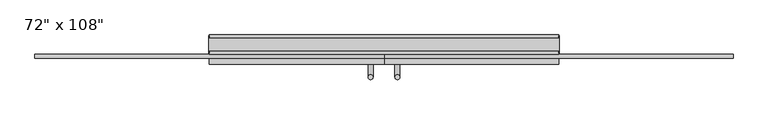
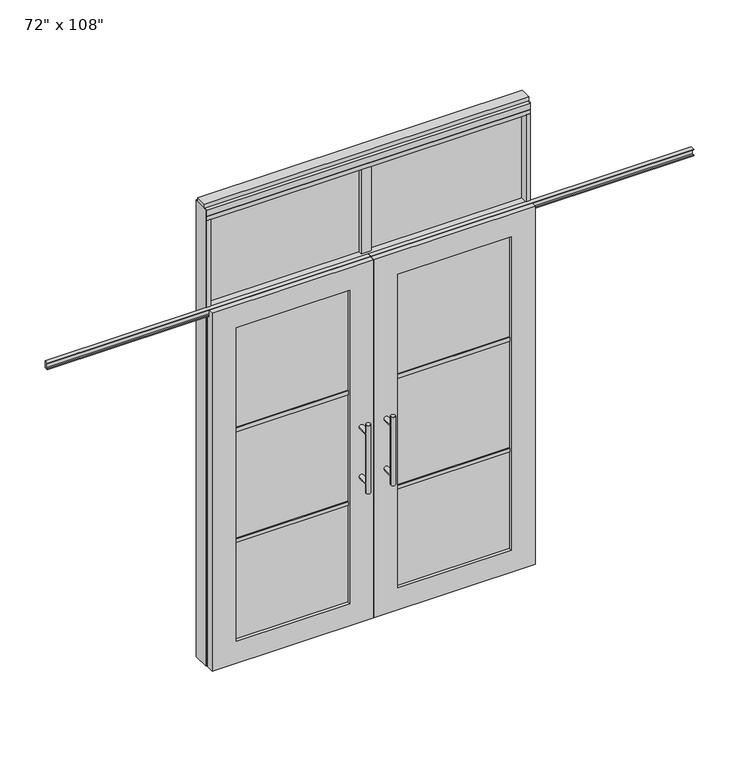
"""IFC4 building model written with IfcOpenShell, lengths in millimetres: furniture geometry."""

from ifc_helpers import new_model, si_unit, frame, origin, origin_with_axes, place, context, project, spatial, polyline, circle_curve, ellipse_curve, outline, extrude, faceted_brep, source, transform, mapped, element, save
from ifc_brep_helpers import plane_surface, cylinder_surface, advanced_brep


def furniture_c9e3e29f(model_context):
    return source(origin(), model_context, "Body", "SolidModel", [
        advanced_brep(
        [(-117.3135229, 5.8962784, 1219.2), (-142.7135229, 5.8962784, 1219.2), (-117.3135229, 5.8962784, 812.8), (-142.7135229, 5.8962784, 812.8), (-117.3135229, 5.8962784, 1164.336), (-117.3135229, 5.8962784, 867.664), (-142.7135229, 5.8962784, 867.664), (-142.7135229, 5.8962784, 1164.336), (-117.3135229, -61.6677216, 1164.336), (-142.7135229, -61.6677216, 1164.336), (-117.3135229, -61.6677216, 867.664), (-142.7135229, -61.6677216, 867.664)],
        [
            (0, 1, circle_curve(frame((-130.0135229, 5.8962784, 1219.2), z_axis=(0.0, 0.0, 1.0), x_axis=(-1.0, 0.0, 0.0)), 12.7)),
            (1, 0, circle_curve(frame((-130.0135229, 5.8962784, 1219.2), z_axis=(0.0, 0.0, 1.0), x_axis=(-1.0, 0.0, 0.0)), 12.7)),
            (2, 3, circle_curve(frame((-130.0135229, 5.8962784, 812.8), z_axis=(0.0, 0.0, -1.0), x_axis=(-1.0, 0.0, 0.0)), 12.7)),
            (3, 2, circle_curve(frame((-130.0135229, 5.8962784, 812.8), z_axis=(0.0, 0.0, -1.0), x_axis=(-1.0, 0.0, 0.0)), 12.7)),
            (0, 4),
            (4, 5),
            (5, 2),
            (3, 6),
            (6, 7),
            (7, 1),
            (7, 4, ellipse_curve(frame((-130.0135229, 5.8962784, 1164.336), z_axis=(0.0, 0.707106781186565, 0.70710678118653), x_axis=(0.0, -0.70710678118653, 0.707106781186565)), 17.9605122, 12.7)),
            (5, 6, ellipse_curve(frame((-130.0135229, 5.8962784, 867.664), z_axis=(0.0, 0.70710678118653, -0.7071067811865649), x_axis=(0.0, 0.7071067811865648, 0.7071067811865301)), 17.9605122, 12.7)),
            (4, 7, ellipse_curve(frame((-130.0135229, 5.8962784, 1164.336), z_axis=(0.0, 0.70710678118653, -0.7071067811865649), x_axis=(0.0, 0.7071067811865648, 0.7071067811865301)), 17.9605122, 12.7)),
            (6, 5, ellipse_curve(frame((-130.0135229, 5.8962784, 867.664), z_axis=(0.0, 0.707106781186565, 0.70710678118653), x_axis=(0.0, -0.70710678118653, 0.707106781186565)), 17.9605122, 12.7)),
            (8, 9, circle_curve(frame((-130.0135229, -61.6677216, 1164.336), z_axis=(0.0, -1.0, 0.0), x_axis=(-1.0, 0.0, 0.0)), 12.7)),
            (9, 8, circle_curve(frame((-130.0135229, -61.6677216, 1164.336), z_axis=(0.0, -1.0, 0.0), x_axis=(-1.0, 0.0, 0.0)), 12.7)),
            (9, 7),
            (4, 8),
            (10, 11, circle_curve(frame((-130.0135229, -61.6677216, 867.664), z_axis=(0.0, -1.0, 0.0), x_axis=(-1.0, 0.0, 0.0)), 12.7)),
            (11, 10, circle_curve(frame((-130.0135229, -61.6677216, 867.664), z_axis=(0.0, -1.0, 0.0), x_axis=(-1.0, 0.0, 0.0)), 12.7)),
            (11, 6),
            (5, 10),
        ],
        [
            plane_surface(frame((-142.7135229, 5.8962784, 1219.2), z_axis=(0.0, 0.0, 1.0), x_axis=(0.0, -1.0, 0.0))),
            plane_surface(frame((-142.7135229, 5.8962784, 812.8), z_axis=(0.0, 0.0, -1.0), x_axis=(0.0, 1.0, 0.0))),
            cylinder_surface(frame((-130.0135229, 5.8962784, 812.8), z_axis=(0.0, 0.0, 1.0), x_axis=(-1.0, 0.0, 0.0)), 12.7),
            plane_surface(frame((-142.7135229, -61.6677216, 1164.336), z_axis=(0.0, -1.0, 0.0), x_axis=(0.0, 0.0, -1.0))),
            cylinder_surface(frame((-130.0135229, -61.6677216, 1164.336), z_axis=(0.0, 1.0, 0.0), x_axis=(-1.0, 0.0, 0.0)), 12.7),
            plane_surface(frame((-142.7135229, -61.6677216, 867.664), z_axis=(0.0, -1.0, 0.0), x_axis=(0.0, 0.0, -1.0))),
            cylinder_surface(frame((-130.0135229, -61.6677216, 867.664), z_axis=(0.0, 1.0, 0.0), x_axis=(-1.0, 0.0, 0.0)), 12.7),
        ],
        [
            (0, [[1, 2]]),
            (1, [[3, 4]]),
            (2, [[-1, 5, 6, 7, -4, 8, 9, 10]]),
            (2, [[-2, -10, 11, -5]]),
            (2, [[-3, -7, 12, -8]]),
            (2, [[13, -9, 14, -6]]),
            (3, [[15, 16]]),
            (4, [[-16, 17, -13, 18]]),
            (4, [[-15, -18, -11, -17]]),
            (5, [[19, 20]]),
            (6, [[-20, 21, -12, 22]]),
            (6, [[-19, -22, -14, -21]]),
        ],
    ),
        advanced_brep(
        [(-117.3135229, -173.6817216, 1219.2), (-142.7135229, -173.6817216, 1219.2), (-117.3135229, -173.6817216, 812.8), (-142.7135229, -173.6817216, 812.8), (-142.7135229, -173.6817216, 1164.336), (-142.7135229, -173.6817216, 867.664), (-117.3135229, -173.6817216, 867.664), (-117.3135229, -173.6817216, 1164.336), (-117.3135229, -106.1177216, 1164.336), (-142.7135229, -106.1177216, 1164.336), (-117.3135229, -106.1177216, 867.664), (-142.7135229, -106.1177216, 867.664)],
        [
            (0, 1, circle_curve(frame((-130.0135229, -173.6817216, 1219.2), z_axis=(0.0, 0.0, 1.0), x_axis=(-1.0, 0.0, 0.0)), 12.7)),
            (1, 0, circle_curve(frame((-130.0135229, -173.6817216, 1219.2), z_axis=(0.0, 0.0, 1.0), x_axis=(-1.0, 0.0, 0.0)), 12.7)),
            (2, 3, circle_curve(frame((-130.0135229, -173.6817216, 812.8), z_axis=(0.0, 0.0, -1.0), x_axis=(-1.0, 0.0, 0.0)), 12.7)),
            (3, 2, circle_curve(frame((-130.0135229, -173.6817216, 812.8), z_axis=(0.0, 0.0, -1.0), x_axis=(-1.0, 0.0, 0.0)), 12.7)),
            (1, 4),
            (4, 5),
            (5, 3),
            (2, 6),
            (6, 7),
            (7, 0),
            (6, 5, ellipse_curve(frame((-130.0135229, -173.6817216, 867.664), z_axis=(0.0, -0.707106781186565, 0.70710678118653), x_axis=(0.0, 0.70710678118653, 0.707106781186565)), 17.9605122, 12.7)),
            (4, 7, ellipse_curve(frame((-130.0135229, -173.6817216, 1164.336), z_axis=(0.0, -0.70710678118653, -0.7071067811865649), x_axis=(0.0, -0.7071067811865648, 0.7071067811865301)), 17.9605122, 12.7)),
            (7, 4, ellipse_curve(frame((-130.0135229, -173.6817216, 1164.336), z_axis=(0.0, -0.707106781186565, 0.70710678118653), x_axis=(0.0, 0.70710678118653, 0.707106781186565)), 17.9605122, 12.7)),
            (5, 6, ellipse_curve(frame((-130.0135229, -173.6817216, 867.664), z_axis=(0.0, -0.70710678118653, -0.7071067811865649), x_axis=(0.0, -0.7071067811865648, 0.7071067811865301)), 17.9605122, 12.7)),
            (8, 9, circle_curve(frame((-130.0135229, -106.1177216, 1164.336), z_axis=(0.0, 1.0, 0.0), x_axis=(-1.0, 0.0, 0.0)), 12.7)),
            (9, 8, circle_curve(frame((-130.0135229, -106.1177216, 1164.336), z_axis=(0.0, 1.0, 0.0), x_axis=(-1.0, 0.0, 0.0)), 12.7)),
            (8, 7),
            (4, 9),
            (10, 11, circle_curve(frame((-130.0135229, -106.1177216, 867.664), z_axis=(0.0, 1.0, 0.0), x_axis=(-1.0, 0.0, 0.0)), 12.7)),
            (11, 10, circle_curve(frame((-130.0135229, -106.1177216, 867.664), z_axis=(0.0, 1.0, 0.0), x_axis=(-1.0, 0.0, 0.0)), 12.7)),
            (10, 6),
            (5, 11),
        ],
        [
            plane_surface(frame((-142.7135229, -173.6817216, 1219.2), z_axis=(0.0, 0.0, 1.0), x_axis=(0.0, 1.0, 0.0))),
            plane_surface(frame((-142.7135229, -173.6817216, 812.8), z_axis=(0.0, 0.0, -1.0), x_axis=(0.0, -1.0, 0.0))),
            cylinder_surface(frame((-130.0135229, -173.6817216, 812.8), z_axis=(0.0, 0.0, 1.0), x_axis=(-1.0, 0.0, 0.0)), 12.7),
            plane_surface(frame((-142.7135229, -106.1177216, 1164.336), z_axis=(0.0, 1.0, 0.0), x_axis=(0.0, 0.0, -1.0))),
            cylinder_surface(frame((-130.0135229, -106.1177216, 1164.336), z_axis=(0.0, -1.0, 0.0), x_axis=(-1.0, 0.0, 0.0)), 12.7),
            plane_surface(frame((-142.7135229, -106.1177216, 867.664), z_axis=(0.0, 1.0, 0.0), x_axis=(0.0, 0.0, -1.0))),
            cylinder_surface(frame((-130.0135229, -106.1177216, 867.664), z_axis=(0.0, -1.0, 0.0), x_axis=(-1.0, 0.0, 0.0)), 12.7),
        ],
        [
            (0, [[1, 2]]),
            (1, [[3, 4]]),
            (2, [[5, 6, 7, -3, 8, 9, 10, -2]]),
            (2, [[-9, 11, -6, 12]]),
            (2, [[-10, 13, -5, -1]]),
            (2, [[-7, 14, -8, -4]]),
            (3, [[15, 16]]),
            (4, [[17, -12, 18, -15]]),
            (4, [[-18, -13, -17, -16]]),
            (5, [[19, 20]]),
            (6, [[21, -14, 22, -19]]),
            (6, [[-22, -11, -21, -20]]),
        ],
    ),
        extrude(outline(polyline([(-196.0535229, -95.0052216), (-834.4825229, -95.0052216), (-834.4825229, -72.7802216), (-196.0535229, -72.7802216), (-196.0535229, -95.0052216)])), frame((0.0, 0.0, 1371.6), z_axis=(0.0, 0.0, 1.0), x_axis=(1.0, 0.0, 0.0)), (0.0, 0.0, 1.0), 22.225),
        extrude(outline(polyline([(-196.0535229, -95.0052216), (-834.4825229, -95.0052216), (-834.4825229, -72.7802216), (-196.0535229, -72.7802216), (-196.0535229, -95.0052216)])), frame((0.0, 0.0, 711.2), z_axis=(0.0, 0.0, 1.0), x_axis=(1.0, 0.0, 0.0)), (0.0, 0.0, 1.0), 22.225),
        extrude(outline(polyline([(-834.4825229, -88.9727216), (-834.4825229, -78.8127216), (-196.0535229, -78.8127216), (-196.0535229, -88.9727216), (-834.4825229, -88.9727216)])), frame((0.0, 0.0, 132.969), z_axis=(0.0, 0.0, 1.0), x_axis=(1.0, 0.0, 0.0)), (0.0, 0.0, 1.0), 1867.662),
        extrude(outline(polyline([(-75.3837216, 2097.278), (-75.3837216, 2102.612), (-62.6837216, 2102.612), (-62.6837216, 2131.568), (-75.3837216, 2131.568), (-75.3837216, 2136.902), (-53.6667216, 2136.902), (-53.6667216, 2097.278), (-75.3837216, 2097.278)])), frame((-1880.9625229, 0.0, 0.0), z_axis=(1.0, 0.0, 0.0), x_axis=(0.0, 1.0, 0.0)), (0.0, 0.0, 1.0), 1820.926),
        faceted_brep([(-60.0365229, -106.1177216, 0.0), (-60.0365229, -106.1177216, 2133.6), (-970.4995229, -106.1177216, 2133.6), (-970.4995229, -106.1177216, 0.0), (-834.4825229, -106.1177216, 2000.631), (-196.0535229, -106.1177216, 2000.631), (-196.0535229, -106.1177216, 132.969), (-834.4825229, -106.1177216, 132.969), (-60.0365229, -78.6857216, 2133.6), (-60.0365229, -78.6857216, 2089.023), (-970.4995229, -78.6857216, 2089.023), (-970.4995229, -78.6857216, 2133.6), (-60.0365229, -61.6677216, 0.0), (-60.0365229, -61.6677216, 2089.023), (-970.4995229, -61.6677216, 2089.023), (-970.4995229, -61.6677216, 0.0), (-834.4825229, -61.6677216, 2000.631), (-834.4825229, -61.6677216, 132.969), (-196.0535229, -61.6677216, 132.969), (-196.0535229, -61.6677216, 2000.631)], [[[0, 1, 2, 3], [4, 5, 6, 7]], [[8, 9, 10, 11]], [[0, 12, 13, 9, 8, 1]], [[2, 11, 10, 14, 15, 3]], [[1, 8, 11, 2]], [[14, 13, 12, 15], [16, 17, 18, 19]], [[14, 10, 9, 13]], [[3, 15, 12, 0]], [[7, 17, 16, 4]], [[6, 18, 17, 7]], [[5, 19, 18, 6]], [[4, 16, 19, 5]]]),
        extrude(outline(polyline([(-31.4615229, -33.0927216), (-88.6115229, -33.0927216), (-88.6115229, 24.0572784), (-31.4615229, 24.0572784), (-31.4615229, -33.0927216)])), frame((0.0, 0.0, 2133.6), z_axis=(0.0, 0.0, 1.0), x_axis=(1.0, 0.0, 0.0)), (0.0, 0.0, 1.0), 520.7),
        extrude(outline(polyline([(828.2014771, -10.8677216), (-948.2745229, -10.8677216), (-948.2745229, 1.8322784), (828.2014771, 1.8322784), (828.2014771, -10.8677216)])), frame((0.0, 0.0, 2133.6), z_axis=(0.0, 0.0, 1.0), x_axis=(1.0, 0.0, 0.0)), (0.0, 0.0, 1.0), 520.7),
        advanced_brep(
        [(-2.7595229, 5.8962784, 1219.2), (22.6404771, 5.8962784, 1219.2), (-2.7595229, 5.8962784, 812.8), (22.6404771, 5.8962784, 812.8), (22.6404771, 5.8962784, 1164.336), (22.6404771, 5.8962784, 867.664), (-2.7595229, 5.8962784, 867.664), (-2.7595229, 5.8962784, 1164.336), (-2.7595229, -61.6677216, 1164.336), (22.6404771, -61.6677216, 1164.336), (-2.7595229, -61.6677216, 867.664), (22.6404771, -61.6677216, 867.664)],
        [
            (0, 1, circle_curve(frame((9.9404771, 5.8962784, 1219.2), z_axis=(0.0, 0.0, 1.0), x_axis=(1.0, 0.0, 0.0)), 12.7)),
            (1, 0, circle_curve(frame((9.9404771, 5.8962784, 1219.2), z_axis=(0.0, 0.0, 1.0), x_axis=(1.0, 0.0, 0.0)), 12.7)),
            (2, 3, circle_curve(frame((9.9404771, 5.8962784, 812.8), z_axis=(0.0, 0.0, -1.0), x_axis=(1.0, 0.0, 0.0)), 12.7)),
            (3, 2, circle_curve(frame((9.9404771, 5.8962784, 812.8), z_axis=(0.0, 0.0, -1.0), x_axis=(1.0, 0.0, 0.0)), 12.7)),
            (1, 4),
            (4, 5),
            (5, 3),
            (2, 6),
            (6, 7),
            (7, 0),
            (6, 5, ellipse_curve(frame((9.9404771, 5.8962784, 867.664), z_axis=(0.0, 0.707106781186565, 0.70710678118653), x_axis=(0.0, -0.70710678118653, 0.707106781186565)), 17.9605122, 12.7)),
            (4, 7, ellipse_curve(frame((9.9404771, 5.8962784, 1164.336), z_axis=(0.0, 0.70710678118653, -0.7071067811865649), x_axis=(0.0, 0.7071067811865648, 0.7071067811865301)), 17.9605122, 12.7)),
            (7, 4, ellipse_curve(frame((9.9404771, 5.8962784, 1164.336), z_axis=(0.0, 0.707106781186565, 0.70710678118653), x_axis=(0.0, -0.70710678118653, 0.707106781186565)), 17.9605122, 12.7)),
            (5, 6, ellipse_curve(frame((9.9404771, 5.8962784, 867.664), z_axis=(0.0, 0.70710678118653, -0.7071067811865649), x_axis=(0.0, 0.7071067811865648, 0.7071067811865301)), 17.9605122, 12.7)),
            (8, 9, circle_curve(frame((9.9404771, -61.6677216, 1164.336), z_axis=(0.0, -1.0, 0.0), x_axis=(1.0, 0.0, 0.0)), 12.7)),
            (9, 8, circle_curve(frame((9.9404771, -61.6677216, 1164.336), z_axis=(0.0, -1.0, 0.0), x_axis=(1.0, 0.0, 0.0)), 12.7)),
            (8, 7),
            (4, 9),
            (10, 11, circle_curve(frame((9.9404771, -61.6677216, 867.664), z_axis=(0.0, -1.0, 0.0), x_axis=(1.0, 0.0, 0.0)), 12.7)),
            (11, 10, circle_curve(frame((9.9404771, -61.6677216, 867.664), z_axis=(0.0, -1.0, 0.0), x_axis=(1.0, 0.0, 0.0)), 12.7)),
            (10, 6),
            (5, 11),
        ],
        [
            plane_surface(frame((22.6404771, 5.8962784, 1219.2), z_axis=(0.0, 0.0, 1.0), x_axis=(0.0, -1.0, 0.0))),
            plane_surface(frame((22.6404771, 5.8962784, 812.8), z_axis=(0.0, 0.0, -1.0), x_axis=(0.0, 1.0, 0.0))),
            cylinder_surface(frame((9.9404771, 5.8962784, 812.8), z_axis=(0.0, 0.0, 1.0), x_axis=(1.0, 0.0, 0.0)), 12.7),
            plane_surface(frame((22.6404771, -61.6677216, 1164.336), z_axis=(0.0, -1.0, 0.0), x_axis=(0.0, 0.0, -1.0))),
            cylinder_surface(frame((9.9404771, -61.6677216, 1164.336), z_axis=(0.0, 1.0, 0.0), x_axis=(1.0, 0.0, 0.0)), 12.7),
            plane_surface(frame((22.6404771, -61.6677216, 867.664), z_axis=(0.0, -1.0, 0.0), x_axis=(0.0, 0.0, -1.0))),
            cylinder_surface(frame((9.9404771, -61.6677216, 867.664), z_axis=(0.0, 1.0, 0.0), x_axis=(1.0, 0.0, 0.0)), 12.7),
        ],
        [
            (0, [[1, 2]]),
            (1, [[3, 4]]),
            (2, [[5, 6, 7, -3, 8, 9, 10, -2]]),
            (2, [[-9, 11, -6, 12]]),
            (2, [[-10, 13, -5, -1]]),
            (2, [[-7, 14, -8, -4]]),
            (3, [[15, 16]]),
            (4, [[17, -12, 18, -15]]),
            (4, [[-18, -13, -17, -16]]),
            (5, [[19, 20]]),
            (6, [[21, -14, 22, -19]]),
            (6, [[-22, -11, -21, -20]]),
        ],
    ),
        advanced_brep(
        [(-2.7595229, -173.6817216, 1219.2), (22.6404771, -173.6817216, 1219.2), (-2.7595229, -173.6817216, 812.8), (22.6404771, -173.6817216, 812.8), (-2.7595229, -173.6817216, 1164.336), (-2.7595229, -173.6817216, 867.664), (22.6404771, -173.6817216, 867.664), (22.6404771, -173.6817216, 1164.336), (-2.7595229, -106.1177216, 1164.336), (22.6404771, -106.1177216, 1164.336), (-2.7595229, -106.1177216, 867.664), (22.6404771, -106.1177216, 867.664)],
        [
            (0, 1, circle_curve(frame((9.9404771, -173.6817216, 1219.2), z_axis=(0.0, 0.0, 1.0), x_axis=(1.0, 0.0, 0.0)), 12.7)),
            (1, 0, circle_curve(frame((9.9404771, -173.6817216, 1219.2), z_axis=(0.0, 0.0, 1.0), x_axis=(1.0, 0.0, 0.0)), 12.7)),
            (2, 3, circle_curve(frame((9.9404771, -173.6817216, 812.8), z_axis=(0.0, 0.0, -1.0), x_axis=(1.0, 0.0, 0.0)), 12.7)),
            (3, 2, circle_curve(frame((9.9404771, -173.6817216, 812.8), z_axis=(0.0, 0.0, -1.0), x_axis=(1.0, 0.0, 0.0)), 12.7)),
            (0, 4),
            (4, 5),
            (5, 2),
            (3, 6),
            (6, 7),
            (7, 1),
            (7, 4, ellipse_curve(frame((9.9404771, -173.6817216, 1164.336), z_axis=(0.0, -0.707106781186565, 0.70710678118653), x_axis=(0.0, 0.70710678118653, 0.707106781186565)), 17.9605122, 12.7)),
            (5, 6, ellipse_curve(frame((9.9404771, -173.6817216, 867.664), z_axis=(0.0, -0.70710678118653, -0.7071067811865649), x_axis=(0.0, -0.7071067811865648, 0.7071067811865301)), 17.9605122, 12.7)),
            (4, 7, ellipse_curve(frame((9.9404771, -173.6817216, 1164.336), z_axis=(0.0, -0.70710678118653, -0.7071067811865649), x_axis=(0.0, -0.7071067811865648, 0.7071067811865301)), 17.9605122, 12.7)),
            (6, 5, ellipse_curve(frame((9.9404771, -173.6817216, 867.664), z_axis=(0.0, -0.707106781186565, 0.70710678118653), x_axis=(0.0, 0.70710678118653, 0.707106781186565)), 17.9605122, 12.7)),
            (8, 9, circle_curve(frame((9.9404771, -106.1177216, 1164.336), z_axis=(0.0, 1.0, 0.0), x_axis=(1.0, 0.0, 0.0)), 12.7)),
            (9, 8, circle_curve(frame((9.9404771, -106.1177216, 1164.336), z_axis=(0.0, 1.0, 0.0), x_axis=(1.0, 0.0, 0.0)), 12.7)),
            (9, 7),
            (4, 8),
            (10, 11, circle_curve(frame((9.9404771, -106.1177216, 867.664), z_axis=(0.0, 1.0, 0.0), x_axis=(1.0, 0.0, 0.0)), 12.7)),
            (11, 10, circle_curve(frame((9.9404771, -106.1177216, 867.664), z_axis=(0.0, 1.0, 0.0), x_axis=(1.0, 0.0, 0.0)), 12.7)),
            (11, 6),
            (5, 10),
        ],
        [
            plane_surface(frame((22.6404771, -173.6817216, 1219.2), z_axis=(0.0, 0.0, 1.0), x_axis=(0.0, 1.0, 0.0))),
            plane_surface(frame((22.6404771, -173.6817216, 812.8), z_axis=(0.0, 0.0, -1.0), x_axis=(0.0, -1.0, 0.0))),
            cylinder_surface(frame((9.9404771, -173.6817216, 812.8), z_axis=(0.0, 0.0, 1.0), x_axis=(1.0, 0.0, 0.0)), 12.7),
            plane_surface(frame((22.6404771, -106.1177216, 1164.336), z_axis=(0.0, 1.0, 0.0), x_axis=(0.0, 0.0, -1.0))),
            cylinder_surface(frame((9.9404771, -106.1177216, 1164.336), z_axis=(0.0, -1.0, 0.0), x_axis=(1.0, 0.0, 0.0)), 12.7),
            plane_surface(frame((22.6404771, -106.1177216, 867.664), z_axis=(0.0, 1.0, 0.0), x_axis=(0.0, 0.0, -1.0))),
            cylinder_surface(frame((9.9404771, -106.1177216, 867.664), z_axis=(0.0, -1.0, 0.0), x_axis=(1.0, 0.0, 0.0)), 12.7),
        ],
        [
            (0, [[1, 2]]),
            (1, [[3, 4]]),
            (2, [[-1, 5, 6, 7, -4, 8, 9, 10]]),
            (2, [[-2, -10, 11, -5]]),
            (2, [[-3, -7, 12, -8]]),
            (2, [[13, -9, 14, -6]]),
            (3, [[15, 16]]),
            (4, [[-16, 17, -13, 18]]),
            (4, [[-15, -18, -11, -17]]),
            (5, [[19, 20]]),
            (6, [[-20, 21, -12, 22]]),
            (6, [[-19, -22, -14, -21]]),
        ],
    ),
        extrude(outline(polyline([(75.9804771, -95.0052216), (75.9804771, -72.7802216), (714.4094771, -72.7802216), (714.4094771, -95.0052216), (75.9804771, -95.0052216)])), frame((0.0, 0.0, 1371.6), z_axis=(0.0, 0.0, 1.0), x_axis=(1.0, 0.0, 0.0)), (0.0, 0.0, 1.0), 22.225),
        extrude(outline(polyline([(75.9804771, -95.0052216), (75.9804771, -72.7802216), (714.4094771, -72.7802216), (714.4094771, -95.0052216), (75.9804771, -95.0052216)])), frame((0.0, 0.0, 711.2), z_axis=(0.0, 0.0, 1.0), x_axis=(1.0, 0.0, 0.0)), (0.0, 0.0, 1.0), 22.225),
        extrude(outline(polyline([(714.4094771, -88.9727216), (75.9804771, -88.9727216), (75.9804771, -78.8127216), (714.4094771, -78.8127216), (714.4094771, -88.9727216)])), frame((0.0, 0.0, 132.969), z_axis=(0.0, 0.0, 1.0), x_axis=(1.0, 0.0, 0.0)), (0.0, 0.0, 1.0), 1867.662),
        extrude(outline(polyline([(-75.3837216, 2097.278), (-75.3837216, 2102.612), (-62.6837216, 2102.612), (-62.6837216, 2131.568), (-75.3837216, 2131.568), (-75.3837216, 2136.902), (-53.6667216, 2136.902), (-53.6667216, 2097.278), (-75.3837216, 2097.278)])), frame((-60.0365229, 0.0, 0.0), z_axis=(1.0, 0.0, 0.0), x_axis=(0.0, 1.0, 0.0)), (0.0, 0.0, 1.0), 1820.926),
        faceted_brep([(-60.0365229, -106.1177216, 0.0), (850.4264771, -106.1177216, 0.0), (850.4264771, -106.1177216, 2133.6), (-60.0365229, -106.1177216, 2133.6), (714.4094771, -106.1177216, 2000.631), (714.4094771, -106.1177216, 132.969), (75.9804771, -106.1177216, 132.969), (75.9804771, -106.1177216, 2000.631), (-60.0365229, -78.6857216, 2133.6), (850.4264771, -78.6857216, 2133.6), (850.4264771, -78.6857216, 2089.023), (-60.0365229, -78.6857216, 2089.023), (-60.0365229, -61.6677216, 2089.023), (-60.0365229, -61.6677216, 0.0), (850.4264771, -61.6677216, 0.0), (850.4264771, -61.6677216, 2089.023), (714.4094771, -61.6677216, 2000.631), (75.9804771, -61.6677216, 2000.631), (75.9804771, -61.6677216, 132.969), (714.4094771, -61.6677216, 132.969)], [[[0, 1, 2, 3], [4, 5, 6, 7]], [[8, 9, 10, 11]], [[0, 3, 8, 11, 12, 13]], [[2, 1, 14, 15, 10, 9]], [[3, 2, 9, 8]], [[15, 14, 13, 12], [16, 17, 18, 19]], [[15, 12, 11, 10]], [[1, 0, 13, 14]], [[5, 4, 16, 19]], [[6, 5, 19, 18]], [[7, 6, 18, 17]], [[4, 7, 17, 16]]]),
        extrude(outline(polyline([(-948.2745229, -55.3177216), (-970.4995229, -55.3177216), (-970.4995229, 46.2822784), (-948.2745229, 46.2822784), (-948.2745229, -55.3177216)])), frame((0.0, 0.0, 2133.6), z_axis=(0.0, 0.0, 1.0), x_axis=(1.0, 0.0, 0.0)), (0.0, 0.0, 1.0), 520.7),
        extrude(outline(polyline([(828.2014771, -55.3177216), (828.2014771, 46.2822784), (850.4264771, 46.2822784), (850.4264771, -55.3177216), (828.2014771, -55.3177216)])), frame((0.0, 0.0, 2133.6), z_axis=(0.0, 0.0, 1.0), x_axis=(1.0, 0.0, 0.0)), (0.0, 0.0, 1.0), 520.7),
        extrude(outline(polyline([(-970.4995229, -55.3177216), (-970.4995229, 46.2822784), (850.4264771, 46.2822784), (850.4264771, -55.3177216), (-970.4995229, -55.3177216)])), frame((0.0, 0.0, 2070.1), z_axis=(0.0, 0.0, 1.0), x_axis=(1.0, 0.0, 0.0)), (0.0, 0.0, 1.0), 22.225),
        extrude(outline(polyline([(-55.3177216, 2097.278), (-55.3177216, 2133.6), (46.2822784, 2133.6), (46.2822784, 2097.278), (41.3292784, 2097.278), (41.3292784, 2092.325), (-50.3647216, 2092.325), (-50.3647216, 2097.278), (-55.3177216, 2097.278)])), frame((-970.4995229, 0.0, 0.0), z_axis=(1.0, 0.0, 0.0), x_axis=(0.0, 1.0, 0.0)), (0.0, 0.0, 1.0), 1820.926),
        extrude(outline(polyline([(-970.4995229, -55.3177216), (-970.4995229, 46.2822784), (850.4264771, 46.2822784), (850.4264771, -55.3177216), (-970.4995229, -55.3177216)])), frame((0.0, 0.0, 2654.3), z_axis=(0.0, 0.0, 1.0), x_axis=(1.0, 0.0, 0.0)), (0.0, 0.0, 1.0), 22.225),
        extrude(outline(polyline([(854.3634771, -50.3647216), (850.4264771, -50.3647216), (850.4264771, 41.3292784), (854.3634771, 41.3292784), (854.3634771, -50.3647216)])), origin_with_axes(), (0.0, 0.0, 1.0), 2717.8),
        extrude(outline(polyline([(-974.4365229, -50.3647216), (-974.4365229, 41.3292784), (-970.4995229, 41.3292784), (-970.4995229, -50.3647216), (-974.4365229, -50.3647216)])), origin_with_axes(), (0.0, 0.0, 1.0), 2717.8),
        extrude(outline(polyline([(828.2014771, -55.3177216), (828.2014771, 46.2822784), (850.4264771, 46.2822784), (850.4264771, -55.3177216), (828.2014771, -55.3177216)])), origin_with_axes(), (0.0, 0.0, 1.0), 2070.1),
        extrude(outline(polyline([(-948.2745229, -55.3177216), (-970.4995229, -55.3177216), (-970.4995229, 46.2822784), (-948.2745229, 46.2822784), (-948.2745229, -55.3177216)])), origin_with_axes(), (0.0, 0.0, 1.0), 2070.1),
        extrude(outline(polyline([(-55.3177216, 2681.478), (-55.3177216, 2717.8), (46.2822784, 2717.8), (46.2822784, 2681.478), (41.3292784, 2681.478), (41.3292784, 2676.525), (-50.3647216, 2676.525), (-50.3647216, 2681.478), (-55.3177216, 2681.478)])), frame((-970.4995229, 0.0, 0.0), z_axis=(1.0, 0.0, 0.0), x_axis=(0.0, 1.0, 0.0)), (0.0, 0.0, 1.0), 1820.926),
        extrude(outline(polyline([(-974.4365229, -37.0297216), (-974.4365229, 27.9942784), (854.3634771, 27.9942784), (854.3634771, -37.0297216), (-974.4365229, -37.0297216)])), frame((0.0, 0.0, 2717.8), z_axis=(0.0, 0.0, 1.0), x_axis=(1.0, 0.0, 0.0)), (0.0, 0.0, 1.0), 25.4),
    ])


if __name__ == "__main__":
    model = new_model("IFC4")
    model_context = context("Model", 3, world=origin())
    ifc_project = project(units=[si_unit("LENGTHUNIT", "METRE", prefix="MILLI")], contexts=[model_context])
    site = spatial("IfcSite", under=ifc_project)
    building = spatial("IfcBuilding", under=site)
    placement = place(None, origin())
    furniture_shape = furniture_c9e3e29f(model_context)
    element("IfcFurniture", 1, ObjectType="72\" x 108\"", at=placement, inside=building, context=model_context, shape_type="MappedRepresentation", body=[
        mapped(furniture_shape, transform((0.0, 0.0, 0.0), x_axis=(1.0, 0.0, 0.0), y_axis=(0.0, 1.0, 0.0), z_axis=(0.0, 0.0, 1.0))),
    ])
    save(model, "model.ifc")
